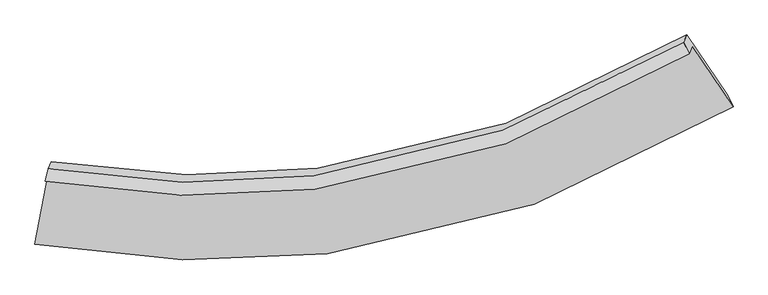
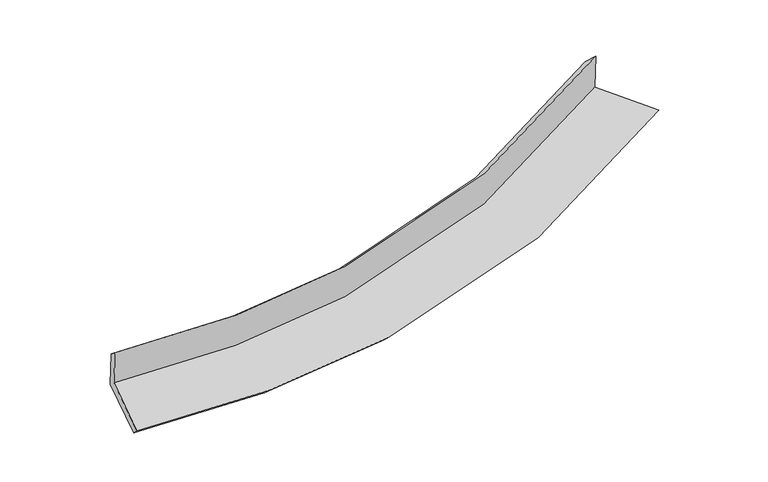
"""IFC4 building model written with IfcOpenShell, lengths in millimetres: proxy geometry."""

from ifc_helpers import new_model, si_unit, frame, origin, place, context, project, spatial, source, transform, mapped, element, save
from ifc_brep_helpers import plane_surface, spline_curve, spline_surface, advanced_brep


def generic_models_3123e138(model_context):
    return source(origin(), model_context, "Body", "AdvancedBrep", [
        advanced_brep(
        [(-2798.4591777, -1843.021971, 1648.8775001), (-2921.4832347, -2480.9038045, 1532.135177), (3427.2298296, -1230.7715945, 2207.9659788), (3057.6535895, -682.9592476, 2271.9941823), (-2828.1860327, -1908.6515433, 2038.8048971), (3027.0355821, -750.5562648, 2673.6108329), (-2801.8527016, -1796.1994883, 1949.9970149), (2977.1637498, -643.6204831, 2566.4518551), (-2771.7495573, -1729.7391621, 1555.1338281), (3006.5622797, -578.7157717, 2180.8311005), (-2896.6447026, -2377.3226204, 1436.6159564), (3377.2545155, -1128.1823273, 2116.6095535)],
        [
            (0, 1),
            (1, 2, spline_curve(3, [(-2921.4832347, -2480.9038045, 1532.135177), (-2012.849464092, -2642.281737253, 1572.276376481), (-1127.015532983, -2671.144367459, 1632.771493826), (1016.622530385, -2413.687778518, 1833.587510473), (2247.026287114, -1968.114411747, 1998.369327388), (3427.2298296, -1230.7715945, 2207.9659788)], [4, 2, 4], [0.0, 8.411678699171352, 20.893258804074765])),
            (2, 3),
            (3, 0, spline_curve(3, [(3057.6535895, -682.9592476, 2271.9941823), (1969.246921281, -1359.373558998, 2079.65085568), (834.401164034, -1769.702177095, 1928.086208771), (-1142.983895927, -2011.154359861, 1742.638543429), (-1960.175727365, -1987.513316326, 1686.49762947), (-2798.4591777, -1843.021971, 1648.8775001)], [4, 2, 4], [0.0, 12.481580104903413, 20.893258804074765])),
            (4, 0),
            (3, 5),
            (5, 4, spline_curve(3, [(3027.0355821, -750.5562648, 2673.6108329), (1938.250238565, -1427.80659795, 2486.234593814), (803.358038152, -1838.237750848, 2335.279140105), (-1173.548631135, -2078.633765356, 2143.556423268), (-1990.396969036, -2054.23437203, 2082.909898093), (-2828.1860327, -1908.6515433, 2038.8048971)], [4, 2, 4], [0.0, 11.976691086687492, 20.048111247734816])),
            (6, 4),
            (5, 7),
            (7, 6, spline_curve(3, [(2977.1637498, -643.6204831, 2566.4518551), (1904.504240786, -1309.963651626, 2371.380857624), (785.169803301, -1715.347329936, 2219.510544497), (-1166.645210904, -1957.102933734, 2037.60547626), (-1973.649590541, -1935.912257371, 1983.990842589), (-2801.8527016, -1796.1994883, 1949.9970149)], [4, 2, 4], [0.0, 11.898696785918101, 19.917554451438043])),
            (8, 6),
            (7, 9),
            (9, 8, spline_curve(3, [(3006.5622797, -578.7157717, 2180.8311005), (1934.28923106, -1244.205730714, 1980.690897799), (815.194205389, -1649.060846857, 1825.680218605), (-1136.466199505, -1890.475111883, 1641.747141959), (-1943.475119582, -1869.294459376, 1588.192063987), (-2771.7495573, -1729.7391621, 1555.1338281)], [4, 2, 4], [0.0, 11.82076971282184, 19.787110189384663])),
            (10, 8),
            (9, 11),
            (11, 10, spline_curve(3, [(3377.2545155, -1128.1823273, 2116.6095535), (2214.081923808, -1858.253354542, 1898.66966438), (999.434819057, -2300.781080967, 1730.033627539), (-1119.960835572, -2560.213755338, 1530.280216708), (-1996.61347009, -2534.066126787, 1472.251720713), (-2896.6447026, -2377.3226204, 1436.6159564)], [4, 2, 4], [0.0, 12.331169803574152, 20.64148288098979])),
            (1, 10),
            (11, 2),
        ],
        [
            spline_surface(3, 3, [[(-2798.4591777, -1843.021971, 1648.8775001), (-1960.175727492, -1987.513316241, 1686.497629591), (-1142.983895841, -2011.154359949, 1742.638543362), (834.401163907, -1769.702176965, 1928.08620887), (1969.246921299, -1359.373558828, 2079.650855886), (3057.6535895, -682.9592476, 2271.9941823)], [(-2839.467196701, -2055.649248818, 1609.963392404), (-1977.733639692, -2205.769456517, 1648.423878565), (-1137.661108205, -2231.151029103, 1706.016193507), (895.141619395, -1984.364044221, 1896.586642789), (2061.840043297, -1562.287176481, 2052.557013042), (3180.845669537, -865.563363242, 2250.651447828)], [(-2880.475215699, -2268.276526682, 1571.049284696), (-1995.291551889, -2424.025596838, 1610.350127528), (-1132.338320594, -2451.147698198, 1669.393843608), (955.882074859, -2199.02591142, 1865.087076664), (2154.433165285, -1765.200794108, 2025.463170113), (3304.037749563, -1048.167478858, 2229.308713272)], [(-2921.4832347, -2480.9038045, 1532.135177), (-2012.849464089, -2642.281737114, 1572.276376503), (-1127.015532958, -2671.144367353, 1632.771493752), (1016.622530347, -2413.687778677, 1833.587510582), (2247.026287283, -1968.114411761, 1998.36932727), (3427.2298296, -1230.7715945, 2207.9659788)]], [4, 4], [4, 2, 4], [0.0, 2.1894828882685955], [0.0, 8.411678699171352, 20.893258804074765]),
            spline_surface(3, 3, [[(-2828.1860327, -1908.6515433, 2038.8048971), (-1990.396968971, -2054.234372087, 2082.909898026), (-1173.548631135, -2078.633765435, 2143.556423181), (803.358038152, -1838.237750731, 2335.279140234), (1938.250238587, -1427.806597825, 2486.234593616), (3027.0355821, -750.5562648, 2673.6108329)], [(-2818.27708104, -1886.77501923, 1908.829098127), (-1980.323221818, -2031.994020168, 1950.772475241), (-1163.360386035, -2056.140630255, 2009.917129893), (813.705746739, -1815.392559458, 2199.548163098), (1948.582466165, -1404.995584808, 2350.706681007), (3037.241584574, -728.023925715, 2539.738616001)], [(-2808.36812936, -1864.89849507, 1778.853299073), (-1970.249474645, -2009.75366816, 1818.635052376), (-1153.172140942, -2033.647495128, 1876.27783665), (824.053455319, -1792.547368238, 2063.817186007), (1958.914693721, -1382.184571845, 2215.178768495), (3047.447587026, -705.491586685, 2405.866399199)], [(-2798.4591777, -1843.021971, 1648.8775001), (-1960.175727492, -1987.513316241, 1686.497629591), (-1142.983895841, -2011.154359949, 1742.638543362), (834.401163907, -1769.702176965, 1928.08620887), (1969.246921299, -1359.373558828, 2079.650855886), (3057.6535895, -682.9592476, 2271.9941823)]], [4, 4], [4, 2, 4], [0.0, 1.3509993827556201], [0.0, 8.071420161047325, 20.048111247734816]),
            spline_surface(3, 3, [[(-2801.8527016, -1796.1994883, 1949.9970149), (-1973.64959044, -1935.91225724, 1983.99084269), (-1166.645210786, -1957.102933744, 2037.605476199), (785.169803127, -1715.34732992, 2219.510544587), (1904.504240646, -1309.96365171, 2371.380857758), (2977.1637498, -643.6204831, 2566.4518551)], [(-2810.630478647, -1833.683506605, 1979.5996423), (-1979.232049964, -1975.35296216, 2016.963861135), (-1168.946350924, -1997.613210975, 2072.92245852), (791.232548114, -1756.310803524, 2258.100076464), (1915.752906631, -1349.244633763, 2409.665436383), (2993.787693904, -679.265743681, 2602.171514372)], [(-2819.408255653, -1871.167524995, 2009.2022697), (-1984.814509447, -2014.793667167, 2049.936879581), (-1171.247490998, -2038.123488205, 2108.23944086), (797.295293165, -1797.274277128, 2296.689608358), (1927.001572602, -1388.525615772, 2447.950014991), (3010.411637996, -714.911004219, 2637.891173628)], [(-2828.1860327, -1908.6515433, 2038.8048971), (-1990.396968971, -2054.234372087, 2082.909898026), (-1173.548631135, -2078.633765435, 2143.556423181), (803.358038152, -1838.237750731, 2335.279140234), (1938.250238587, -1427.806597825, 2486.234593616), (3027.0355821, -750.5562648, 2673.6108329)]], [4, 4], [4, 2, 4], [0.0, 0.5449924661360374], [0.0, 8.018857665519942, 19.917554451438043]),
            spline_surface(3, 3, [[(-2771.7495573, -1729.7391621, 1555.1338281), (-1943.475119508, -1869.294459407, 1588.192063873), (-1136.466199496, -1890.475111932, 1641.747142038), (815.194205375, -1649.060846784, 1825.680218487), (1934.289231036, -1244.205730758, 1980.690897794), (3006.5622797, -578.7157717, 2180.8311005)], [(-2781.783938728, -1751.892604197, 1686.754890351), (-1953.53327648, -1891.500392048, 1720.12499013), (-1146.525869908, -1912.684385877, 1773.699920104), (805.18607131, -1671.15634117, 1956.956993866), (1924.360900895, -1266.125037741, 2110.920884463), (2996.762769722, -600.350675499, 2309.371352048)], [(-2791.818320172, -1774.046046203, 1818.375952649), (-1963.591433468, -1913.706324599, 1852.057916433), (-1156.585540374, -1934.8936598, 1905.652698133), (795.177937192, -1693.251835535, 2088.233769208), (1914.432570788, -1288.044344727, 2241.150871089), (2986.963259778, -621.985579301, 2437.911603552)], [(-2801.8527016, -1796.1994883, 1949.9970149), (-1973.64959044, -1935.91225724, 1983.99084269), (-1166.645210786, -1957.102933744, 2037.605476199), (785.169803127, -1715.34732992, 2219.510544587), (1904.504240646, -1309.96365171, 2371.380857758), (2977.1637498, -643.6204831, 2566.4518551)]], [4, 4], [4, 2, 4], [0.0, 1.3155177934186315], [0.0, 7.9663404765628245, 19.787110189384663]),
            spline_surface(3, 3, [[(-2896.6447026, -2377.3226204, 1436.6159564), (-1996.613470125, -2534.066126773, 1472.251720782), (-1119.960835494, -2560.213755363, 1530.280216576), (999.434818942, -2300.781080931, 1730.033627735), (2214.081923683, -1858.253354634, 1898.6696643), (3377.2545155, -1128.1823273, 2116.6095535)], [(-2855.012987492, -2161.461467634, 1476.121913643), (-1978.900686578, -2312.475570985, 1510.898501822), (-1125.462623494, -2336.967540902, 1567.435858404), (938.021281087, -2083.541002898, 1761.915824659), (2120.817692808, -1653.570813356, 1926.010075467), (3253.690436907, -945.026808781, 2138.016735836)], [(-2813.381272408, -1945.600314866, 1515.627870857), (-1961.187903055, -2090.885015195, 1549.545282833), (-1130.964411496, -2113.721326393, 1604.59150021), (876.607743231, -1866.300924817, 1793.798021563), (2027.553461911, -1448.888272036, 1953.350486627), (3130.126358293, -761.871290219, 2159.423918164)], [(-2771.7495573, -1729.7391621, 1555.1338281), (-1943.475119508, -1869.294459407, 1588.192063873), (-1136.466199496, -1890.475111932, 1641.747142038), (815.194205375, -1649.060846784, 1825.680218487), (1934.289231036, -1244.205730758, 1980.690897794), (3006.5622797, -578.7157717, 2180.8311005)]], [4, 4], [4, 2, 4], [0.0, 2.217306661301751], [0.0, 8.310313077415639, 20.64148288098979]),
            spline_surface(3, 3, [[(-2921.4832347, -2480.9038045, 1532.135177), (-2012.849464089, -2642.281737114, 1572.276376503), (-1127.015532958, -2671.144367353, 1632.771493752), (1016.622530347, -2413.687778677, 1833.587510582), (2247.026287283, -1968.114411761, 1998.36932727), (3427.2298296, -1230.7715945, 2207.9659788)], [(-2913.203723992, -2446.376743117, 1500.295436776), (-2007.437466093, -2606.209866984, 1538.934824571), (-1124.663967145, -2634.167496664, 1598.607734681), (1010.893293204, -2376.052212736, 1799.06954962), (2236.044832739, -1931.494059368, 1965.136106262), (3410.571391556, -1196.575172082, 2177.513837015)], [(-2904.924213308, -2411.849681783, 1468.455696624), (-2002.025468121, -2570.137996903, 1505.593272714), (-1122.312401307, -2597.190626051, 1564.443975648), (1005.164056085, -2338.416646871, 1764.551588697), (2225.063378227, -1894.873707027, 1931.902885308), (3393.912953544, -1162.378749718, 2147.061695285)], [(-2896.6447026, -2377.3226204, 1436.6159564), (-1996.613470125, -2534.066126773, 1472.251720782), (-1119.960835494, -2560.213755363, 1530.280216576), (999.434818942, -2300.781080931, 1730.033627735), (2214.081923683, -1858.253354634, 1898.6696643), (3377.2545155, -1128.1823273, 2116.6095535)]], [4, 4], [4, 2, 4], [0.0, 0.4999046565367899], [0.0, 8.703099534388569, 21.617101350710875]),
            plane_surface(frame((3145.4832577, -835.8009482, 2336.2439172), z_axis=(0.8273501496487332, 0.5401652383242667, 0.15399105552695935), x_axis=(-0.07496789499711806, -0.16551064287101883, 0.9833544843117985))),
            plane_surface(frame((-2836.3959011, -2022.6397649, 1693.5940623), z_axis=(-0.9796118426354646, 0.1965450137331904, -0.041601626710621405), x_axis=(0.18638790864230195, 0.9664244847234797, 0.17687075179041245))),
        ],
        [
            (0, [[1, 2, 3, 4]]),
            (1, [[5, -4, 6, 7]]),
            (2, [[8, -7, 9, 10]]),
            (3, [[11, -10, 12, 13]]),
            (4, [[14, -13, 15, 16]]),
            (5, [[17, -16, 18, -2]]),
            (6, [[-12, -9, -6, -3, -18, -15]]),
            (7, [[-1, -5, -8, -11, -14, -17]]),
        ],
    ),
    ])


if __name__ == "__main__":
    model = new_model("IFC4")
    model_context = context("Model", 3, world=origin())
    ifc_project = project(units=[si_unit("LENGTHUNIT", "METRE", prefix="MILLI")], contexts=[model_context])
    site = spatial("IfcSite", under=ifc_project)
    building = spatial("IfcBuilding", under=site)
    placement = place(None, origin())
    generic_models_shape = generic_models_3123e138(model_context)
    element("IfcBuildingElementProxy", 1, Name="Generic Models", at=placement, inside=building, context=model_context, shape_type="MappedRepresentation", body=[
        mapped(generic_models_shape, transform((0.0, 0.0, 0.0), x_axis=(1.0, 0.0, 0.0), y_axis=(0.0, 1.0, 0.0), z_axis=(0.0, 0.0, 1.0))),
    ])
    save(model, "model.ifc")
